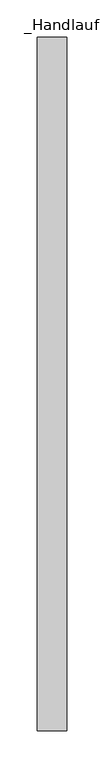
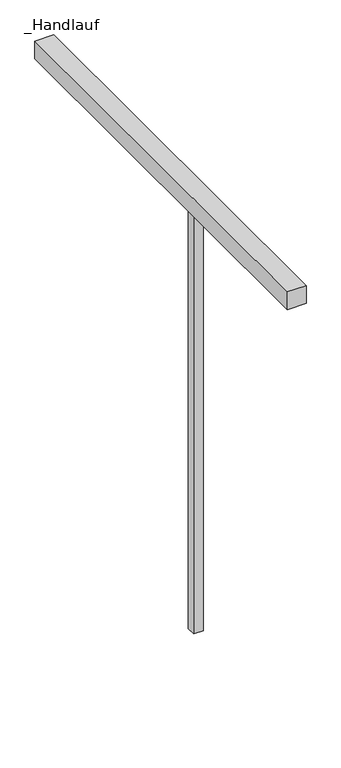
"""IFC4 building model written with IfcOpenShell, lengths in millimetres: railing geometry, _Handlauf."""

import ifcopenshell
import ifcopenshell.guid

model = None  # the IFC model being written
_history = None  # IfcOwnerHistory: only IFC2X3 demands one
_inside = {}  # id of a spatial element -> (the spatial element, [elements in it])
_under = {}  # id of a project, library or spatial element -> (it, [spatial elements below it])
_declared = {}  # id of a project -> (the project, [libraries it declares])
_typed = {}  # id of a type object -> (the type object, [elements of that type])
_made_of = {}  # id of a material, layer set ... -> (it, [elements and type objects made of it])


def new_model(schema):
    """Start an empty IFC model of exactly this schema.

    Asked for "IFC4X3", IfcOpenShell would pick the latest addendum, in which some entities
    have other attributes; the version numbers below select the first issue.
    IFC2X3 requires an IfcOwnerHistory on every rooted entity: one is made here for all.
    """
    global model, _history
    if schema == "IFC4X3":
        model = ifcopenshell.file(schema_version=(4, 3, 0, 0))
    else:
        model = ifcopenshell.file(schema=schema)
    _inside.clear()
    _under.clear()
    _declared.clear()
    _typed.clear()
    _made_of.clear()
    _history = None
    if model.schema == "IFC2X3":
        org = make("IfcOrganization", Name="unknown")
        user = make(
            "IfcPersonAndOrganization",
            ThePerson=make("IfcPerson", FamilyName="unknown"),
            TheOrganization=org,
        )
        app = make(
            "IfcApplication",
            ApplicationDeveloper=org,
            Version="unknown",
            ApplicationFullName="unknown",
            ApplicationIdentifier="unknown",
        )
        _history = make(
            "IfcOwnerHistory",
            OwningUser=user,
            OwningApplication=app,
            ChangeAction="ADDED",
            CreationDate=0,
        )
    return model


def make(cls, **values):
    """One entity of the class cls with the attributes given. An attribute that is None is left unset."""
    return model.create_entity(
        cls, **{name: value for name, value in values.items() if value is not None}
    )


def rooted(cls, **values):
    """An entity with a GlobalId (a new one), such as an element, a storey or a relation."""
    return make(cls, GlobalId=ifcopenshell.guid.new(), OwnerHistory=_history, **values)


def si_unit(unit_type, name, prefix=None):
    """IfcSIUnit, for example si_unit("LENGTHUNIT", "METRE", prefix="MILLI")."""
    return make("IfcSIUnit", UnitType=unit_type, Prefix=prefix, Name=name)


def assignment(units):
    """IfcUnitAssignment: the units of a project."""
    return None if units is None else make("IfcUnitAssignment", Units=units)


def point(xyz):
    """IfcCartesianPoint."""
    return None if xyz is None else make("IfcCartesianPoint", Coordinates=xyz)


def direction(xyz):
    """IfcDirection."""
    return None if xyz is None else make("IfcDirection", DirectionRatios=xyz)


def frame(location, z_axis=None, x_axis=None):
    """IfcAxis2Placement3D, a coordinate frame: its origin and axes. An axis left out is left unset."""
    return make(
        "IfcAxis2Placement3D",
        Location=point(location),
        Axis=direction(z_axis),
        RefDirection=direction(x_axis),
    )


def origin():
    """The frame at (0, 0, 0) with its axes left unset."""
    return frame((0.0, 0.0, 0.0))


def place(relative_to, where):
    """IfcLocalPlacement: puts the frame where relative to a parent placement (None: the world)."""
    return make(
        "IfcLocalPlacement", PlacementRelTo=relative_to, RelativePlacement=where
    )


def context(
    kind, dimensions, precision=None, world=None, true_north=None, identifier=None
):
    """IfcGeometricRepresentationContext, for example the 3D "Model" context."""
    return make(
        "IfcGeometricRepresentationContext",
        ContextIdentifier=identifier,
        ContextType=kind,
        CoordinateSpaceDimension=dimensions,
        Precision=precision,
        WorldCoordinateSystem=world,
        TrueNorth=true_north,
    )


def project(units=None, contexts=None):
    """IfcProject with its units and contexts."""
    return rooted(
        "IfcProject",
        Name="project",
        RepresentationContexts=contexts,
        UnitsInContext=assignment(units),
    )


def spatial(cls, under=None, at=None, **own):
    """A site, building, storey or space (cls), placed at a placement, below another one or the project."""
    s = rooted(cls, ObjectPlacement=at, **own)
    if under is not None:
        _under.setdefault(under.id(), (under, []))[1].append(s)
    return s


def polyline(points):
    """IfcPolyline through the points."""
    return make("IfcPolyline", Points=[point(p) for p in points])


def outline(outer, holes=None, kind="AREA"):
    """IfcArbitraryClosedProfileDef: a profile drawn as a closed curve; with holes, ...WithVoids."""
    if holes is None:
        return make("IfcArbitraryClosedProfileDef", ProfileType=kind, OuterCurve=outer)
    return make(
        "IfcArbitraryProfileDefWithVoids",
        ProfileType=kind,
        OuterCurve=outer,
        InnerCurves=holes,
    )


def extrude(swept, where, along, depth):
    """IfcExtrudedAreaSolid: the profile swept, set in the frame where, extruded along a direction by depth."""
    return make(
        "IfcExtrudedAreaSolid",
        SweptArea=swept,
        Position=where,
        ExtrudedDirection=direction(along),
        Depth=depth,
    )


def shape(context_of_items, identifier, shape_type, items):
    """IfcShapeRepresentation: the items that make up one representation, for example the "Body"."""
    return make(
        "IfcShapeRepresentation",
        ContextOfItems=context_of_items,
        RepresentationIdentifier=identifier,
        RepresentationType=shape_type,
        Items=items,
    )


def source(mapping_origin, context_of_items, identifier, shape_type, items):
    """IfcRepresentationMap: a shape defined once, which mapped items show again and again."""
    return make(
        "IfcRepresentationMap",
        MappingOrigin=mapping_origin,
        MappedRepresentation=shape(context_of_items, identifier, shape_type, items),
    )


def transform(
    local_origin,
    x_axis=None,
    y_axis=None,
    z_axis=None,
    scale=None,
    scale2=None,
    scale3=None,
    uniform=True,
):
    """IfcCartesianTransformationOperator3D, or its non-uniform kind. x_axis, y_axis, z_axis: its Axis1, 2, 3."""
    if uniform:
        return make(
            "IfcCartesianTransformationOperator3D",
            Axis1=direction(x_axis),
            Axis2=direction(y_axis),
            LocalOrigin=point(local_origin),
            Scale=scale,
            Axis3=direction(z_axis),
        )
    return make(
        "IfcCartesianTransformationOperator3DnonUniform",
        Axis1=direction(x_axis),
        Axis2=direction(y_axis),
        LocalOrigin=point(local_origin),
        Scale=scale,
        Axis3=direction(z_axis),
        Scale2=scale2,
        Scale3=scale3,
    )


def mapped(mapping_source, mapping_target):
    """IfcMappedItem: shows the shape of a source again, moved by a transform."""
    return make(
        "IfcMappedItem", MappingSource=mapping_source, MappingTarget=mapping_target
    )


def made_of(thing, what):
    """Note that an element or type object is made of a material, layer set ...; save() writes the relation."""
    if what is not None:
        _made_of.setdefault(what.id(), (what, []))[1].append(thing)
    return thing


def element(
    cls,
    number,
    at=None,
    inside=None,
    cuts=None,
    type_object=None,
    material=None,
    context=None,
    identifier="Body",
    shape_type=None,
    held_by="IfcProductDefinitionShape",
    body=None,
    shapes=None,
    **own,
):
    """One element of the class cls, such as IfcWall. Its Tag is "e" and its number.

    at: its placement. inside: the storey or other place that contains it. cuts: it is an
    opening in that element (IfcRelVoidsElement). A single representation is given by context,
    identifier, shape_type and body (its items); several are given by shapes. held_by: the class
    of the entity that holds the representations. save() writes the other relations.
    """
    e = rooted(cls, Tag="e%d" % number, ObjectPlacement=at, **own)
    if body is not None:
        shapes = [shape(context, identifier, shape_type, body)]
    if shapes is not None:
        e.Representation = make(held_by, Representations=shapes)
    if inside is not None:
        _inside.setdefault(inside.id(), (inside, []))[1].append(e)
    if cuts is not None:
        rooted(
            "IfcRelVoidsElement", RelatingBuildingElement=cuts, RelatedOpeningElement=e
        )
    if type_object is not None:
        _typed.setdefault(type_object.id(), (type_object, []))[1].append(e)
    return made_of(e, material)


def aggregate(whole, parts):
    """IfcRelAggregates: a whole, such as a stair, and the parts it consists of."""
    return rooted("IfcRelAggregates", RelatingObject=whole, RelatedObjects=parts)


def save(model, path):
    """Write the relations noted so far, then the file.

    IfcRelAggregates (storeys below a building ...), IfcRelContainedInSpatialStructure (elements
    in a storey), IfcRelDefinesByType, IfcRelAssociatesMaterial and IfcRelDeclares: one each for
    every whole, place, type object, material and project.
    """
    for whole, parts in _under.values():
        aggregate(whole, parts)
    for where, things in _inside.values():
        rooted(
            "IfcRelContainedInSpatialStructure",
            RelatedElements=things,
            RelatingStructure=where,
        )
    for kind, things in _typed.values():
        rooted("IfcRelDefinesByType", RelatedObjects=things, RelatingType=kind)
    for what, things in _made_of.values():
        rooted("IfcRelAssociatesMaterial", RelatedObjects=things, RelatingMaterial=what)
    for by, libraries in _declared.values():
        rooted("IfcRelDeclares", RelatingContext=by, RelatedDefinitions=libraries)
    model.write(path)


def handlauf_9f69d8c0(model_context):
    return source(origin(), model_context, "Body", "SweptSolid", [
        extrude(outline(polyline([(1960.0, 3237.4), (2000.0, 3237.4), (2000.0, 2300.0), (1960.0, 2300.0), (1960.0, 3237.4)])), frame((0.0, 0.0, 7960.0), z_axis=(0.0, 0.0, 1.0), x_axis=(1.0, 0.0, 0.0)), (0.0, 0.0, 1.0), 40.0),
        extrude(outline(polyline([(1970.0, 2684.96), (1990.0, 2684.96), (1990.0, 2664.96), (1970.0, 2664.96), (1970.0, 2684.96)])), frame((0.0, 0.0, 7000.0), z_axis=(0.0, 0.0, 1.0), x_axis=(1.0, 0.0, 0.0)), (0.0, 0.0, 1.0), 960.0),
    ])


if __name__ == "__main__":
    model = new_model("IFC4")
    model_context = context("Model", 3, world=origin())
    ifc_project = project(units=[si_unit("LENGTHUNIT", "METRE", prefix="MILLI")], contexts=[model_context])
    site = spatial("IfcSite", under=ifc_project)
    building = spatial("IfcBuilding", under=site)
    placement = place(None, origin())
    handlauf_shape = handlauf_9f69d8c0(model_context)
    element("IfcRailing", 1, ObjectType="_Handlauf", at=placement, inside=building, context=model_context, shape_type="MappedRepresentation", body=[
        mapped(handlauf_shape, transform((0.0, 0.0, 0.0), x_axis=(1.0, 0.0, 0.0), y_axis=(0.0, 1.0, 0.0), z_axis=(0.0, 0.0, 1.0))),
    ])
    save(model, "model.ifc")
